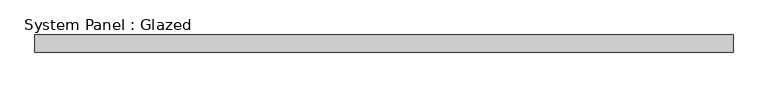
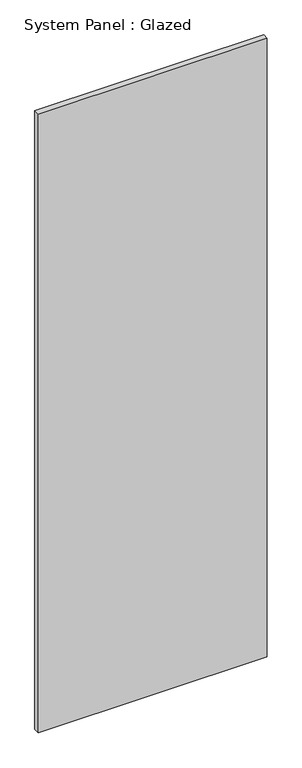
"""IFC4 building model written with IfcOpenShell, lengths in millimetres: plate geometry, System Panel : Glazed."""

from ifc_helpers import new_model, si_unit, origin, origin_with_axes, place, context, project, spatial, polyline, outline, extrude, source, transform, mapped, element, save


def system_panel_glazed_6564cb47(model_context):
    return source(origin(), model_context, "Body", "SweptSolid", [
        extrude(outline(polyline([(499.1412298, 24.5), (-499.1412298, 24.5), (-499.1412298, 49.5), (499.1412298, 49.5), (499.1412298, 24.5)])), origin_with_axes(), (0.0, 0.0, 1.0), 2850.0),
    ])


if __name__ == "__main__":
    model = new_model("IFC4")
    model_context = context("Model", 3, world=origin())
    ifc_project = project(units=[si_unit("LENGTHUNIT", "METRE", prefix="MILLI")], contexts=[model_context])
    site = spatial("IfcSite", under=ifc_project)
    building = spatial("IfcBuilding", under=site)
    placement = place(None, origin())
    system_panel_glazed_shape = system_panel_glazed_6564cb47(model_context)
    element("IfcPlate", 1, ObjectType="System Panel : Glazed", at=placement, inside=building, context=model_context, shape_type="MappedRepresentation", body=[
        mapped(system_panel_glazed_shape, transform((0.0, 0.0, 0.0), x_axis=(1.0, 0.0, 0.0), y_axis=(0.0, 1.0, 0.0), z_axis=(0.0, 0.0, 1.0))),
    ])
    save(model, "model.ifc")
